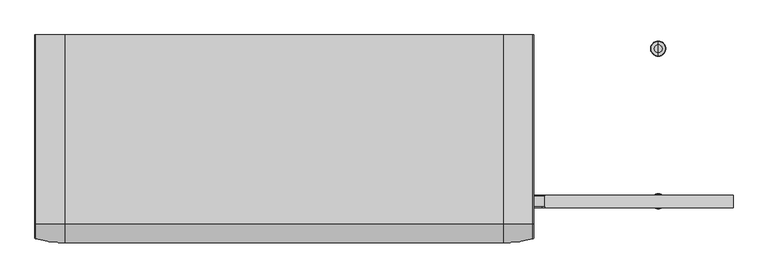
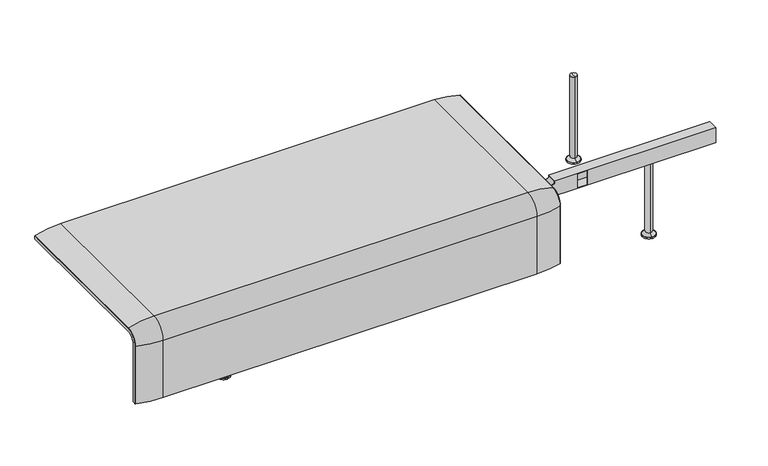
"""IFC4 building model written with IfcOpenShell, lengths in millimetres: furniture geometry."""

from ifc_helpers import new_model, si_unit, point, frame, origin, place, context, project, spatial, polyline, circle_curve, ellipse_curve, trimmed, source, transform, mapped, element, save
from ifc_brep_helpers import plane_surface, cylinder_surface, revolved_surface, advanced_brep


def furniture_abd4a75a(model_context):
    return source(origin(), model_context, "Body", "AdvancedBrep", [
        advanced_brep(
        [(-1223.9718733, -368.7793679, 100.5089435), (-1223.9718733, -357.5, 100.5089435), (407.9906244, -357.5, 100.5089435), (407.9906244, -368.7793679, 100.5089435), (405.8519959, -371.6530483, 100.5089435), (307.9906244, -386.0043559, 100.5089435), (-1123.9718733, -386.0043559, 100.5089435), (-1221.8332448, -371.6530483, 100.5089435), (-1223.9718733, 295.0, 377.4518019), (-1221.8332448, 295.0, 380.3254823), (-1123.9718733, 295.0, 394.67679), (307.9906244, 295.0, 394.67679), (405.8519959, 295.0, 380.3254823), (407.9906244, 295.0, 377.4518019), (407.9906244, 295.0, 366.172434), (-1223.9718733, 295.0, 366.172434), (-1223.9718733, -368.7793679, 333.0583003), (-1223.9718733, -324.3858663, 377.4518019), (-1223.9718733, -324.3858663, 366.172434), (-1223.9718733, -357.5, 333.0583003), (407.9906244, -357.5, 333.0583003), (307.9906244, -386.0043559, 333.0583003), (-1123.9718733, -386.0043559, 333.0583003), (-1221.8332448, -371.6530483, 333.0583003), (407.9906244, -324.3858663, 366.172434), (-1123.9718733, -324.3858663, 394.67679), (307.9906244, -324.3858663, 394.67679), (-1221.8332448, -324.3858663, 380.3254823), (407.9906244, -324.3858663, 377.4518019), (407.9906244, -368.7793679, 333.0583003), (405.8519959, -371.6530483, 333.0583003), (405.8519959, -324.3858663, 380.3254823)],
        [
            (0, 1),
            (1, 2),
            (2, 3),
            (3, 4, circle_curve(frame((404.9906244, -368.7793679, 100.5089435), z_axis=(0.0, 0.0, -1.0), x_axis=(-1.0, 0.0, 0.0)), 3.0)),
            (4, 5, circle_curve(frame((307.9906244, -45.1710226, 100.5089435), z_axis=(0.0, 0.0, -1.0), x_axis=(0.0, 1.0, 0.0)), 340.8333333)),
            (5, 6),
            (6, 7, circle_curve(frame((-1123.9718733, -45.1710226, 100.5089435), z_axis=(0.0, 0.0, -1.0), x_axis=(0.0, 1.0, 0.0)), 340.8333333)),
            (7, 0, circle_curve(frame((-1220.9718733, -368.7793679, 100.5089435), z_axis=(0.0, 0.0, -1.0), x_axis=(1.0, 0.0, 0.0)), 3.0)),
            (8, 9, circle_curve(frame((-1220.9718733, 295.0, 377.4518019), z_axis=(0.0, 1.0, 0.0), x_axis=(1.0, 0.0, 0.0)), 3.0)),
            (9, 10, circle_curve(frame((-1123.9718733, 295.0, 53.8434566), z_axis=(0.0, 1.0, 0.0), x_axis=(0.0, 0.0, -1.0)), 340.8333333)),
            (10, 11),
            (11, 12, circle_curve(frame((307.9906244, 295.0, 53.8434566), z_axis=(0.0, 1.0, 0.0), x_axis=(0.0, 0.0, -1.0)), 340.8333333)),
            (12, 13, circle_curve(frame((404.9906244, 295.0, 377.4518019), z_axis=(0.0, 1.0, 0.0), x_axis=(-1.0, 0.0, 0.0)), 3.0)),
            (13, 14),
            (14, 15),
            (15, 8),
            (0, 16),
            (16, 17, circle_curve(frame((-1223.9718733, -324.3858663, 333.0583003), z_axis=(-1.0, 0.0, 0.0), x_axis=(0.0, -1.0, 0.0)), 44.3935016)),
            (17, 8),
            (15, 18),
            (18, 19, circle_curve(frame((-1223.9718733, -324.3858663, 333.0583003), z_axis=(1.0, 0.0, 0.0), x_axis=(0.0, -1.0, 0.0)), 33.1141337)),
            (19, 1),
            (19, 20),
            (20, 2),
            (5, 21),
            (21, 22),
            (22, 6),
            (22, 23, circle_curve(frame((-1123.9718733, -45.1710226, 333.0583003), z_axis=(0.0, 0.0, -1.0), x_axis=(0.0, 1.0, 0.0)), 340.8333333)),
            (23, 7),
            (23, 16, circle_curve(frame((-1220.9718733, -368.7793679, 333.0583003), z_axis=(0.0, 0.0, -1.0), x_axis=(1.0, 0.0, 0.0)), 3.0)),
            (24, 20, circle_curve(frame((407.9906244, -324.3858663, 333.0583003), z_axis=(1.0, 0.0, 0.0), x_axis=(0.0, -1.0, 0.0)), 33.1141337)),
            (18, 24),
            (25, 22, circle_curve(frame((-1123.9718733, -324.3858663, 333.0583003), z_axis=(1.0, 0.0, 0.0), x_axis=(0.0, -1.0, 0.0)), 61.6184897)),
            (21, 26, circle_curve(frame((307.9906244, -324.3858663, 333.0583003), z_axis=(-1.0, 0.0, 0.0), x_axis=(0.0, -1.0, 0.0)), 61.6184897)),
            (26, 25),
            (27, 23, circle_curve(frame((-1221.8332448, -324.3858663, 333.0583003), z_axis=(1.0, 0.0, 0.0), x_axis=(0.0, -1.0, 0.0)), 47.267182)),
            (25, 27, circle_curve(frame((-1123.9718733, -324.3858663, 53.8434566), z_axis=(0.0, -1.0, 0.0), x_axis=(0.0, 0.0, -1.0)), 340.8333333)),
            (27, 17, circle_curve(frame((-1220.9718733, -324.3858663, 377.4518019), z_axis=(0.0, -1.0, 0.0), x_axis=(1.0, 0.0, 0.0)), 3.0)),
            (14, 24),
            (26, 11),
            (10, 25),
            (9, 27),
            (13, 28),
            (28, 29, circle_curve(frame((407.9906244, -324.3858663, 333.0583003), z_axis=(1.0, 0.0, 0.0), x_axis=(0.0, -1.0, 0.0)), 44.3935016)),
            (29, 3),
            (29, 30, circle_curve(frame((404.9906244, -368.7793679, 333.0583003), z_axis=(0.0, 0.0, -1.0), x_axis=(-1.0, 0.0, 0.0)), 3.0)),
            (30, 4),
            (30, 21, circle_curve(frame((307.9906244, -45.1710226, 333.0583003), z_axis=(0.0, 0.0, -1.0), x_axis=(0.0, 1.0, 0.0)), 340.8333333)),
            (31, 30, circle_curve(frame((405.8519959, -324.3858663, 333.0583003), z_axis=(1.0, 0.0, 0.0), x_axis=(0.0, -1.0, 0.0)), 47.267182)),
            (28, 31, circle_curve(frame((404.9906244, -324.3858663, 377.4518019), z_axis=(0.0, -1.0, 0.0), x_axis=(-1.0, 0.0, 0.0)), 3.0)),
            (31, 26, circle_curve(frame((307.9906244, -324.3858663, 53.8434566), z_axis=(0.0, -1.0, 0.0), x_axis=(0.0, 0.0, -1.0)), 340.8333333)),
            (12, 31),
        ],
        [
            plane_surface(frame((-1223.9718733, -357.5, 100.5089435), z_axis=(0.0, 0.0, -1.0), x_axis=(1.0, 0.0, 0.0))),
            plane_surface(frame((-1223.9718733, 295.0, 366.172434), z_axis=(0.0, 1.0, 0.0), x_axis=(1.0, 0.0, 0.0))),
            plane_surface(frame((-1223.9718733, -368.7793679, 100.5089435), z_axis=(-1.0, 0.0, 0.0), x_axis=(0.0, 0.0, 1.0))),
            plane_surface(frame((-1223.9718733, -357.5, 100.5089435), z_axis=(0.0, 1.0, 0.0), x_axis=(0.0, 0.0, 1.0))),
            plane_surface(frame((307.9906244, -386.0043559, 100.5089435), z_axis=(0.0, -1.0, 0.0), x_axis=(0.0, 0.0, 1.0))),
            cylinder_surface(frame((-1123.9718733, -45.1710226, 100.5089435), z_axis=(0.0, 0.0, -1.0), x_axis=(0.0, 1.0, 0.0)), 340.8333333),
            cylinder_surface(frame((-1220.9718733, -368.7793679, 100.5089435), z_axis=(0.0, 0.0, -1.0), x_axis=(1.0, 0.0, 0.0)), 3.0),
            revolved_surface(polyline([(-1223.9718733, -357.5, 333.0583003), (407.9906243999999, -357.5, 333.0583003)]), (-1223.9718733, -324.3858663, 333.0583003), (-1.0, 0.0, 0.0)),
            cylinder_surface(frame((-1223.9718733, -324.3858663, 333.0583003), z_axis=(-1.0, 0.0, 0.0), x_axis=(0.0, -1.0, 0.0)), 61.6184897),
            revolved_surface(trimmed(ellipse_curve(frame((-1123.9718733, -45.1710226, 333.0583003), z_axis=(0.0, 0.0, -1.0), x_axis=(0.0, 1.0, 0.0)), 340.8333333, 340.8333333), [point((-1123.9718733, -386.0043559, 333.0583003))], [point((-1221.8332448, -371.6530483, 333.0583003))], True, "CARTESIAN"), (-1223.9718733, -324.3858663, 333.0583003), (-1.0, 0.0, 0.0)),
            revolved_surface(trimmed(ellipse_curve(frame((-1220.9718733, -368.7793679, 333.0583003), z_axis=(0.0, 0.0, -1.0), x_axis=(1.0, 0.0, 0.0)), 3.0, 3.0), [point((-1221.8332448, -371.6530483, 333.0583003))], [point((-1223.9718733, -368.7793679, 333.0583003))], True, "CARTESIAN"), (-1223.9718733, -324.3858663, 333.0583003), (-1.0, 0.0, 0.0)),
            plane_surface(frame((-1223.9718733, -324.3858663, 366.172434), z_axis=(0.0, 0.0, -1.0), x_axis=(0.0, 1.0, 0.0))),
            plane_surface(frame((307.9906244, -324.3858663, 394.67679), z_axis=(0.0, 0.0, 1.0), x_axis=(0.0, 1.0, 0.0))),
            cylinder_surface(frame((-1123.9718733, -324.3858663, 53.8434566), z_axis=(0.0, -1.0, 0.0), x_axis=(0.0, 0.0, -1.0)), 340.8333333),
            cylinder_surface(frame((-1220.9718733, -324.3858663, 377.4518019), z_axis=(0.0, -1.0, 0.0), x_axis=(1.0, 0.0, 0.0)), 3.0),
            plane_surface(frame((407.9906244, -357.5, 100.5089435), z_axis=(1.0, 0.0, 0.0), x_axis=(0.0, 0.0, 1.0))),
            cylinder_surface(frame((404.9906244, -368.7793679, 100.5089435), z_axis=(0.0, 0.0, -1.0), x_axis=(-1.0, 0.0, 0.0)), 3.0),
            cylinder_surface(frame((307.9906244, -45.1710226, 100.5089435), z_axis=(0.0, 0.0, -1.0), x_axis=(0.0, 1.0, 0.0)), 340.8333333),
            revolved_surface(trimmed(ellipse_curve(frame((404.9906244, -368.7793679, 333.0583003), z_axis=(0.0, 0.0, -1.0), x_axis=(-1.0, 0.0, 0.0)), 3.0, 3.0), [point((407.9906244, -368.7793679, 333.0583003))], [point((405.8519959, -371.6530483, 333.0583003))], True, "CARTESIAN"), (-1223.9718733, -324.3858663, 333.0583003), (-1.0, 0.0, 0.0)),
            revolved_surface(trimmed(ellipse_curve(frame((307.9906244, -45.1710226, 333.0583003), z_axis=(0.0, 0.0, -1.0), x_axis=(0.0, 1.0, 0.0)), 340.8333333, 340.8333333), [point((405.8519959, -371.6530483, 333.0583003))], [point((307.9906244, -386.0043559, 333.0583003))], True, "CARTESIAN"), (-1223.9718733, -324.3858663, 333.0583003), (-1.0, 0.0, 0.0)),
            cylinder_surface(frame((404.9906244, -324.3858663, 377.4518019), z_axis=(0.0, -1.0, 0.0), x_axis=(-1.0, 0.0, 0.0)), 3.0),
            cylinder_surface(frame((307.9906244, -324.3858663, 53.8434566), z_axis=(0.0, -1.0, 0.0), x_axis=(0.0, 0.0, -1.0)), 340.8333333),
        ],
        [
            (0, [[1, 2, 3, 4, 5, 6, 7, 8]]),
            (1, [[9, 10, 11, 12, 13, 14, 15, 16]]),
            (2, [[-1, 17, 18, 19, -16, 20, 21, 22]]),
            (3, [[-2, -22, 23, 24]]),
            (4, [[-6, 25, 26, 27]]),
            (5, [[-7, -27, 28, 29]]),
            (6, [[-8, -29, 30, -17]]),
            (7, [[31, -23, -21, 32]]),
            (8, [[33, -26, 34, 35]]),
            (9, [[36, -28, -33, 37]]),
            (10, [[-18, -30, -36, 38]]),
            (11, [[-32, -20, -15, 39]]),
            (12, [[-35, 40, -11, 41]]),
            (13, [[-37, -41, -10, 42]]),
            (14, [[-38, -42, -9, -19]]),
            (15, [[-3, -24, -31, -39, -14, 43, 44, 45]]),
            (16, [[-4, -45, 46, 47]]),
            (17, [[-5, -47, 48, -25]]),
            (18, [[49, -46, -44, 50]]),
            (19, [[-34, -48, -49, 51]]),
            (20, [[-50, -43, -13, 52]]),
            (21, [[-51, -52, -12, -40]]),
        ],
    ),
        advanced_brep(
        [(815.9812488, -250.0000031, 0.0), (815.9812488, -225.0000031, 0.0), (815.9812488, -275.0000031, 0.0), (815.9812488, -262.4715672, 344.8637637), (815.9812488, -237.5284391, 344.8637637), (815.9812488, -250.0000031, 344.8637637), (815.9812488, -262.4715672, 16.2604994), (815.9812488, -237.5284391, 16.2604994), (815.9812488, -273.2294713, 5.5025953), (815.9812488, -226.770535, 5.5025953), (815.9812488, -275.0000031, 5.5025953), (815.9812488, -225.0000031, 5.5025953)],
        [
            (0, 1),
            (1, 2, circle_curve(frame((815.9812488, -250.0000031, 0.0), z_axis=(0.0, 0.0, -1.0), x_axis=(0.0, 1.0, 0.0)), 25.0)),
            (2, 0),
            (2, 1, circle_curve(frame((815.9812488, -250.0000031, 0.0), z_axis=(0.0, 0.0, -1.0), x_axis=(0.0, 1.0, 0.0)), 25.0)),
            (3, 4, circle_curve(frame((815.9812488, -250.0000031, 344.8637637), z_axis=(0.0, 0.0, 1.0), x_axis=(0.0, 1.0, 0.0)), 12.471564)),
            (4, 5),
            (5, 3),
            (4, 3, circle_curve(frame((815.9812488, -250.0000031, 344.8637637), z_axis=(0.0, 0.0, 1.0), x_axis=(0.0, 1.0, 0.0)), 12.471564)),
            (6, 7, circle_curve(frame((815.9812488, -250.0000031, 16.2604994), z_axis=(0.0, 0.0, 1.0), x_axis=(0.0, 1.0, 0.0)), 12.471564)),
            (7, 4),
            (3, 6),
            (7, 6, circle_curve(frame((815.9812488, -250.0000031, 16.2604994), z_axis=(0.0, 0.0, 1.0), x_axis=(0.0, 1.0, 0.0)), 12.471564)),
            (8, 9, circle_curve(frame((815.9812488, -250.0000031, 5.5025953), z_axis=(0.0, 0.0, 1.0), x_axis=(0.0, 1.0, 0.0)), 23.2294681)),
            (9, 7, circle_curve(frame((815.9812488, -226.770535, 16.2604994), z_axis=(-1.0, 0.0, 0.0), x_axis=(0.0, 1.0, 0.0)), 10.7579041)),
            (6, 8, circle_curve(frame((815.9812488, -273.2294713, 16.2604994), z_axis=(-1.0, 0.0, 0.0), x_axis=(0.0, -1.0, 0.0)), 10.7579041)),
            (9, 8, circle_curve(frame((815.9812488, -250.0000031, 5.5025953), z_axis=(0.0, 0.0, 1.0), x_axis=(0.0, 1.0, 0.0)), 23.2294681)),
            (10, 11, circle_curve(frame((815.9812488, -250.0000031, 5.5025953), z_axis=(0.0, 0.0, 1.0), x_axis=(0.0, 1.0, 0.0)), 25.0)),
            (11, 9),
            (8, 10),
            (11, 10, circle_curve(frame((815.9812488, -250.0000031, 5.5025953), z_axis=(0.0, 0.0, 1.0), x_axis=(0.0, 1.0, 0.0)), 25.0)),
            (1, 11),
            (10, 2),
        ],
        [
            plane_surface(frame((815.9812488, -250.0000031, 0.0), z_axis=(0.0, 0.0, -1.0), x_axis=(0.0, 1.0, 0.0))),
            plane_surface(frame((815.9812488, -250.0000031, 344.8637637), z_axis=(0.0, 0.0, 1.0), x_axis=(0.0, 1.0, 0.0))),
            cylinder_surface(frame((815.9812488, -250.0000031, 344.8637637), z_axis=(0.0, 0.0, -1.0), x_axis=(0.0, 1.0, 0.0)), 12.471564),
            revolved_surface(trimmed(ellipse_curve(frame((815.9812488, -226.770535, 16.2604994), z_axis=(1.0, 0.0, 0.0), x_axis=(0.0, 1.0, 0.0)), 10.7579041, 10.7579041), [point((815.9812488, -237.5284391, 16.2604994))], [point((815.9812488, -226.770535, 5.5025953))], True, "CARTESIAN"), (815.9812488, -250.0000031, 344.8637637), (0.0, 0.0, -1.0)),
            plane_surface(frame((815.9812488, -250.0000031, 5.5025953), z_axis=(0.0, 0.0, 1.0), x_axis=(0.0, 1.0, 0.0))),
            cylinder_surface(frame((815.9812488, -250.0000031, 344.8637637), z_axis=(0.0, 0.0, -1.0), x_axis=(0.0, 1.0, 0.0)), 25.0),
        ],
        [
            (0, [[1, 2, 3]]),
            (0, [[-3, 4, -1]]),
            (1, [[5, 6, 7]]),
            (1, [[8, -7, -6]]),
            (2, [[9, 10, -5, 11]]),
            (2, [[12, -11, -8, -10]]),
            (3, [[13, 14, -9, 15]]),
            (3, [[16, -15, -12, -14]]),
            (4, [[17, 18, -13, 19]]),
            (4, [[20, -19, -16, -18]]),
            (5, [[-2, 21, -17, 22]]),
            (5, [[-4, -22, -20, -21]]),
        ],
    ),
        advanced_brep(
        [(815.9812488, 275.0000031, 0.0), (815.9812488, 225.0000031, 0.0), (815.9812488, 250.0000031, 0.0), (815.9812488, 250.0000031, 344.8637637), (815.9812488, 237.5284391, 344.8637637), (815.9812488, 262.4715672, 344.8637637), (815.9812488, 237.5284391, 16.2604994), (815.9812488, 262.4715672, 16.2604994), (815.9812488, 226.770535, 5.5025953), (815.9812488, 273.2294713, 5.5025953), (815.9812488, 225.0000031, 5.5025953), (815.9812488, 275.0000031, 5.5025953)],
        [
            (0, 1, circle_curve(frame((815.9812488, 250.0000031, 0.0), z_axis=(0.0, 0.0, -1.0), x_axis=(0.0, -1.0, 0.0)), 25.0)),
            (1, 2),
            (2, 0),
            (1, 0, circle_curve(frame((815.9812488, 250.0000031, 0.0), z_axis=(0.0, 0.0, -1.0), x_axis=(0.0, -1.0, 0.0)), 25.0)),
            (3, 4),
            (4, 5, circle_curve(frame((815.9812488, 250.0000031, 344.8637637), z_axis=(0.0, 0.0, 1.0), x_axis=(0.0, -1.0, 0.0)), 12.471564)),
            (5, 3),
            (5, 4, circle_curve(frame((815.9812488, 250.0000031, 344.8637637), z_axis=(0.0, 0.0, 1.0), x_axis=(0.0, -1.0, 0.0)), 12.471564)),
            (4, 6),
            (6, 7, circle_curve(frame((815.9812488, 250.0000031, 16.2604994), z_axis=(0.0, 0.0, 1.0), x_axis=(0.0, -1.0, 0.0)), 12.471564)),
            (7, 5),
            (7, 6, circle_curve(frame((815.9812488, 250.0000031, 16.2604994), z_axis=(0.0, 0.0, 1.0), x_axis=(0.0, -1.0, 0.0)), 12.471564)),
            (6, 8, circle_curve(frame((815.9812488, 226.770535, 16.2604994), z_axis=(-1.0, 0.0, 0.0), x_axis=(0.0, -1.0, 0.0)), 10.7579041)),
            (8, 9, circle_curve(frame((815.9812488, 250.0000031, 5.5025953), z_axis=(0.0, 0.0, 1.0), x_axis=(0.0, -1.0, 0.0)), 23.2294681)),
            (9, 7, circle_curve(frame((815.9812488, 273.2294713, 16.2604994), z_axis=(-1.0, 0.0, 0.0), x_axis=(0.0, 1.0, 0.0)), 10.7579041)),
            (9, 8, circle_curve(frame((815.9812488, 250.0000031, 5.5025953), z_axis=(0.0, 0.0, 1.0), x_axis=(0.0, -1.0, 0.0)), 23.2294681)),
            (8, 10),
            (10, 11, circle_curve(frame((815.9812488, 250.0000031, 5.5025953), z_axis=(0.0, 0.0, 1.0), x_axis=(0.0, -1.0, 0.0)), 25.0)),
            (11, 9),
            (11, 10, circle_curve(frame((815.9812488, 250.0000031, 5.5025953), z_axis=(0.0, 0.0, 1.0), x_axis=(0.0, -1.0, 0.0)), 25.0)),
            (10, 1),
            (0, 11),
        ],
        [
            plane_surface(frame((815.9812488, 250.0000031, 0.0), z_axis=(0.0, 0.0, -1.0), x_axis=(0.0, -1.0, 0.0))),
            plane_surface(frame((815.9812488, 250.0000031, 344.8637637), z_axis=(0.0, 0.0, 1.0), x_axis=(0.0, -1.0, 0.0))),
            cylinder_surface(frame((815.9812488, 250.0000031, 344.8637637), z_axis=(0.0, 0.0, 1.0), x_axis=(0.0, -1.0, 0.0)), 12.471564),
            revolved_surface(trimmed(ellipse_curve(frame((815.9812488, 226.770535, 16.2604994), z_axis=(1.0, 0.0, 0.0), x_axis=(0.0, -1.0, 0.0)), 10.7579041, 10.7579041), [point((815.9812488, 226.770535, 5.5025953))], [point((815.9812488, 237.5284391, 16.2604994))], True, "CARTESIAN"), (815.9812488, 250.0000031, 344.8637637), (0.0, 0.0, 1.0)),
            plane_surface(frame((815.9812488, 250.0000031, 5.5025953), z_axis=(0.0, 0.0, 1.0), x_axis=(0.0, -1.0, 0.0))),
            cylinder_surface(frame((815.9812488, 250.0000031, 344.8637637), z_axis=(0.0, 0.0, 1.0), x_axis=(0.0, -1.0, 0.0)), 25.0),
        ],
        [
            (0, [[1, 2, 3]]),
            (0, [[4, -3, -2]]),
            (1, [[5, 6, 7]]),
            (1, [[-7, 8, -5]]),
            (2, [[-6, 9, 10, 11]]),
            (2, [[-8, -11, 12, -9]]),
            (3, [[-10, 13, 14, 15]]),
            (3, [[-12, -15, 16, -13]]),
            (4, [[-14, 17, 18, 19]]),
            (4, [[-16, -19, 20, -17]]),
            (5, [[-18, 21, -1, 22]]),
            (5, [[-20, -22, -4, -21]]),
        ],
    ),
        advanced_brep(
        [(-815.9812488, -275.0000031, 0.0), (-815.9812488, -225.0000031, 0.0), (-815.9812488, -250.0000031, 0.0), (-815.9812488, -250.0000031, 344.8637637), (-815.9812488, -237.5284391, 344.8637637), (-815.9812488, -262.4715672, 344.8637637), (-815.9812488, -237.5284391, 16.2604994), (-815.9812488, -262.4715672, 16.2604994), (-815.9812488, -226.770535, 5.5025953), (-815.9812488, -273.2294713, 5.5025953), (-815.9812488, -225.0000031, 5.5025953), (-815.9812488, -275.0000031, 5.5025953)],
        [
            (0, 1, circle_curve(frame((-815.9812488, -250.0000031, 0.0), z_axis=(0.0, 0.0, -1.0), x_axis=(0.0, 1.0, 0.0)), 25.0)),
            (1, 2),
            (2, 0),
            (1, 0, circle_curve(frame((-815.9812488, -250.0000031, 0.0), z_axis=(0.0, 0.0, -1.0), x_axis=(0.0, 1.0, 0.0)), 25.0)),
            (3, 4),
            (4, 5, circle_curve(frame((-815.9812488, -250.0000031, 344.8637637), z_axis=(0.0, 0.0, 1.0), x_axis=(0.0, 1.0, 0.0)), 12.471564)),
            (5, 3),
            (5, 4, circle_curve(frame((-815.9812488, -250.0000031, 344.8637637), z_axis=(0.0, 0.0, 1.0), x_axis=(0.0, 1.0, 0.0)), 12.471564)),
            (4, 6),
            (6, 7, circle_curve(frame((-815.9812488, -250.0000031, 16.2604994), z_axis=(0.0, 0.0, 1.0), x_axis=(0.0, 1.0, 0.0)), 12.471564)),
            (7, 5),
            (7, 6, circle_curve(frame((-815.9812488, -250.0000031, 16.2604994), z_axis=(0.0, 0.0, 1.0), x_axis=(0.0, 1.0, 0.0)), 12.471564)),
            (6, 8, circle_curve(frame((-815.9812488, -226.770535, 16.2604994), z_axis=(1.0, 0.0, 0.0), x_axis=(0.0, 1.0, 0.0)), 10.7579041)),
            (8, 9, circle_curve(frame((-815.9812488, -250.0000031, 5.5025953), z_axis=(0.0, 0.0, 1.0), x_axis=(0.0, 1.0, 0.0)), 23.2294681)),
            (9, 7, circle_curve(frame((-815.9812488, -273.2294713, 16.2604994), z_axis=(1.0, 0.0, 0.0), x_axis=(0.0, -1.0, 0.0)), 10.7579041)),
            (9, 8, circle_curve(frame((-815.9812488, -250.0000031, 5.5025953), z_axis=(0.0, 0.0, 1.0), x_axis=(0.0, 1.0, 0.0)), 23.2294681)),
            (8, 10),
            (10, 11, circle_curve(frame((-815.9812488, -250.0000031, 5.5025953), z_axis=(0.0, 0.0, 1.0), x_axis=(0.0, 1.0, 0.0)), 25.0)),
            (11, 9),
            (11, 10, circle_curve(frame((-815.9812488, -250.0000031, 5.5025953), z_axis=(0.0, 0.0, 1.0), x_axis=(0.0, 1.0, 0.0)), 25.0)),
            (10, 1),
            (0, 11),
        ],
        [
            plane_surface(frame((-815.9812488, -250.0000031, 0.0), z_axis=(0.0, 0.0, -1.0), x_axis=(0.0, 1.0, 0.0))),
            plane_surface(frame((-815.9812488, -250.0000031, 344.8637637), z_axis=(0.0, 0.0, 1.0), x_axis=(0.0, 1.0, 0.0))),
            cylinder_surface(frame((-815.9812488, -250.0000031, 344.8637637), z_axis=(0.0, 0.0, 1.0), x_axis=(0.0, 1.0, 0.0)), 12.471564),
            revolved_surface(trimmed(ellipse_curve(frame((-815.9812488, -226.770535, 16.2604994), z_axis=(-1.0, 0.0, 0.0), x_axis=(0.0, 1.0, 0.0)), 10.7579041, 10.7579041), [point((-815.9812488, -226.770535, 5.5025953))], [point((-815.9812488, -237.5284391, 16.2604994))], True, "CARTESIAN"), (-815.9812488, -250.0000031, 344.8637637), (0.0, 0.0, 1.0)),
            plane_surface(frame((-815.9812488, -250.0000031, 5.5025953), z_axis=(0.0, 0.0, 1.0), x_axis=(0.0, 1.0, 0.0))),
            cylinder_surface(frame((-815.9812488, -250.0000031, 344.8637637), z_axis=(0.0, 0.0, 1.0), x_axis=(0.0, 1.0, 0.0)), 25.0),
        ],
        [
            (0, [[1, 2, 3]]),
            (0, [[4, -3, -2]]),
            (1, [[5, 6, 7]]),
            (1, [[-7, 8, -5]]),
            (2, [[-6, 9, 10, 11]]),
            (2, [[-8, -11, 12, -9]]),
            (3, [[-10, 13, 14, 15]]),
            (3, [[-12, -15, 16, -13]]),
            (4, [[-14, 17, 18, 19]]),
            (4, [[-16, -19, 20, -17]]),
            (5, [[-18, 21, -1, 22]]),
            (5, [[-20, -22, -4, -21]]),
        ],
    ),
        advanced_brep(
        [(-815.9812488, 250.0000031, 0.0), (-815.9812488, 225.0000031, 0.0), (-815.9812488, 275.0000031, 0.0), (-815.9812488, 262.4715672, 344.8637637), (-815.9812488, 237.5284391, 344.8637637), (-815.9812488, 250.0000031, 344.8637637), (-815.9812488, 262.4715672, 16.2604994), (-815.9812488, 237.5284391, 16.2604994), (-815.9812488, 273.2294713, 5.5025953), (-815.9812488, 226.770535, 5.5025953), (-815.9812488, 275.0000031, 5.5025953), (-815.9812488, 225.0000031, 5.5025953)],
        [
            (0, 1),
            (1, 2, circle_curve(frame((-815.9812488, 250.0000031, 0.0), z_axis=(0.0, 0.0, -1.0), x_axis=(0.0, -1.0, 0.0)), 25.0)),
            (2, 0),
            (2, 1, circle_curve(frame((-815.9812488, 250.0000031, 0.0), z_axis=(0.0, 0.0, -1.0), x_axis=(0.0, -1.0, 0.0)), 25.0)),
            (3, 4, circle_curve(frame((-815.9812488, 250.0000031, 344.8637637), z_axis=(0.0, 0.0, 1.0), x_axis=(0.0, -1.0, 0.0)), 12.471564)),
            (4, 5),
            (5, 3),
            (4, 3, circle_curve(frame((-815.9812488, 250.0000031, 344.8637637), z_axis=(0.0, 0.0, 1.0), x_axis=(0.0, -1.0, 0.0)), 12.471564)),
            (6, 7, circle_curve(frame((-815.9812488, 250.0000031, 16.2604994), z_axis=(0.0, 0.0, 1.0), x_axis=(0.0, -1.0, 0.0)), 12.471564)),
            (7, 4),
            (3, 6),
            (7, 6, circle_curve(frame((-815.9812488, 250.0000031, 16.2604994), z_axis=(0.0, 0.0, 1.0), x_axis=(0.0, -1.0, 0.0)), 12.471564)),
            (8, 9, circle_curve(frame((-815.9812488, 250.0000031, 5.5025953), z_axis=(0.0, 0.0, 1.0), x_axis=(0.0, -1.0, 0.0)), 23.2294681)),
            (9, 7, circle_curve(frame((-815.9812488, 226.770535, 16.2604994), z_axis=(1.0, 0.0, 0.0), x_axis=(0.0, -1.0, 0.0)), 10.7579041)),
            (6, 8, circle_curve(frame((-815.9812488, 273.2294713, 16.2604994), z_axis=(1.0, 0.0, 0.0), x_axis=(0.0, 1.0, 0.0)), 10.7579041)),
            (9, 8, circle_curve(frame((-815.9812488, 250.0000031, 5.5025953), z_axis=(0.0, 0.0, 1.0), x_axis=(0.0, -1.0, 0.0)), 23.2294681)),
            (10, 11, circle_curve(frame((-815.9812488, 250.0000031, 5.5025953), z_axis=(0.0, 0.0, 1.0), x_axis=(0.0, -1.0, 0.0)), 25.0)),
            (11, 9),
            (8, 10),
            (11, 10, circle_curve(frame((-815.9812488, 250.0000031, 5.5025953), z_axis=(0.0, 0.0, 1.0), x_axis=(0.0, -1.0, 0.0)), 25.0)),
            (1, 11),
            (10, 2),
        ],
        [
            plane_surface(frame((-815.9812488, 250.0000031, 0.0), z_axis=(0.0, 0.0, -1.0), x_axis=(0.0, -1.0, 0.0))),
            plane_surface(frame((-815.9812488, 250.0000031, 344.8637637), z_axis=(0.0, 0.0, 1.0), x_axis=(0.0, -1.0, 0.0))),
            cylinder_surface(frame((-815.9812488, 250.0000031, 344.8637637), z_axis=(0.0, 0.0, -1.0), x_axis=(0.0, -1.0, 0.0)), 12.471564),
            revolved_surface(trimmed(ellipse_curve(frame((-815.9812488, 226.770535, 16.2604994), z_axis=(-1.0, 0.0, 0.0), x_axis=(0.0, -1.0, 0.0)), 10.7579041, 10.7579041), [point((-815.9812488, 237.5284391, 16.2604994))], [point((-815.9812488, 226.770535, 5.5025953))], True, "CARTESIAN"), (-815.9812488, 250.0000031, 344.8637637), (0.0, 0.0, -1.0)),
            plane_surface(frame((-815.9812488, 250.0000031, 5.5025953), z_axis=(0.0, 0.0, 1.0), x_axis=(0.0, -1.0, 0.0))),
            cylinder_surface(frame((-815.9812488, 250.0000031, 344.8637637), z_axis=(0.0, 0.0, -1.0), x_axis=(0.0, -1.0, 0.0)), 25.0),
        ],
        [
            (0, [[1, 2, 3]]),
            (0, [[-3, 4, -1]]),
            (1, [[5, 6, 7]]),
            (1, [[8, -7, -6]]),
            (2, [[9, 10, -5, 11]]),
            (2, [[12, -11, -8, -10]]),
            (3, [[13, 14, -9, 15]]),
            (3, [[16, -15, -12, -14]]),
            (4, [[17, 18, -13, 19]]),
            (4, [[20, -19, -16, -18]]),
            (5, [[-2, 21, -17, 22]]),
            (5, [[-4, -22, -20, -21]]),
        ],
    ),
        advanced_brep(
        [(-407.9906244, -230.0000056, 346.6346058), (-407.9906244, -232.0000018, 346.6346058), (-381.9939756, -232.0000018, 346.6346058), (-381.9939756, -230.0000056, 346.6346058), (-407.9906244, -268.0000023, 346.6346058), (-407.9906244, -270.0000061, 346.6346058), (-381.9939756, -270.0000061, 346.6346058), (-381.9939756, -268.0000023, 346.6346058), (-371.9939756, -232.0000018, 356.6346058), (-371.9939756, -230.0000056, 356.6346058), (-371.9939756, -270.0000061, 356.6346058), (-371.9939756, -268.0000023, 356.6346058), (-371.9939756, -232.0000018, 357.9224338), (-371.9939756, -268.0000023, 357.9224338), (-371.9939756, -270.0000061, 359.922434), (-371.9939756, -230.0000056, 359.922434), (-443.9872732, -232.0000018, 356.6346058), (-443.9872732, -230.0000056, 356.6346058), (-443.9872732, -230.0000056, 359.922434), (-443.9872732, -270.0000061, 359.922434), (-443.9872732, -270.0000061, 356.6346058), (-443.9872732, -268.0000023, 356.6346058), (-443.9872732, -268.0000023, 357.9224338), (-443.9872732, -232.0000018, 357.9224338), (-433.9872732, -230.0000056, 346.6346058), (-433.9872732, -232.0000018, 346.6346058), (-433.9872732, -268.0000023, 346.6346058), (-433.9872732, -270.0000061, 346.6346058), (1060.9822296, -230.0000056, 359.922434), (1060.9822296, -270.0000061, 359.922434), (1060.9822296, -270.0000061, 299.9223263), (1060.9822296, -230.0000056, 299.9223263), (1060.9822296, -268.0000023, 301.9086098), (1060.9822296, -268.0000023, 357.9224338), (1060.9822296, -232.0000018, 357.9224338), (1060.9822296, -232.0000018, 301.9086098), (-1060.9822296, -230.0000056, 359.922434), (-1060.9822296, -230.0000056, 299.9223263), (-1060.9822296, -270.0000061, 299.9223263), (-1060.9822296, -270.0000061, 359.922434), (-1060.9822296, -268.0000023, 301.9086098), (-1060.9822296, -232.0000018, 301.9086098), (-1060.9822296, -232.0000018, 357.9224338), (-1060.9822296, -268.0000023, 357.9224338), (371.9939756, -230.0000056, 359.922434), (371.9939756, -230.0000056, 356.6346058), (381.9939756, -230.0000056, 346.6346058), (407.9906244, -230.0000056, 346.6346058), (433.9872732, -230.0000056, 346.6346058), (443.9872732, -230.0000056, 356.6346058), (443.9872732, -230.0000056, 359.922434), (443.9872732, -270.0000061, 359.922434), (443.9872732, -270.0000061, 356.6346058), (433.9872732, -270.0000061, 346.6346058), (407.9906244, -270.0000061, 346.6346058), (381.9939756, -270.0000061, 346.6346058), (371.9939756, -270.0000061, 356.6346058), (371.9939756, -270.0000061, 359.922434), (-568.96075, -270.0000061, 357.9224338), (-532.9720684, -270.0000061, 357.9224338), (-532.9720684, -270.0000061, 301.9086098), (-568.96075, -270.0000061, 301.9086098), (-283.0091805, -270.0000061, 357.9224338), (-247.0204988, -270.0000061, 357.9224338), (-247.0204988, -270.0000061, 301.9086098), (-283.0091805, -270.0000061, 301.9086098), (247.0204988, -270.0000061, 357.9224338), (283.0091805, -270.0000061, 357.9224338), (283.0091805, -270.0000061, 301.9086098), (247.0204988, -270.0000061, 301.9086098), (532.9720684, -270.0000061, 357.9224338), (568.96075, -270.0000061, 357.9224338), (568.96075, -270.0000061, 301.9086098), (532.9720684, -270.0000061, 301.9086098), (-568.96075, -268.0000023, 301.9086098), (-532.9720684, -268.0000023, 301.9086098), (-283.0091805, -268.0000023, 301.9086098), (-247.0204988, -268.0000023, 301.9086098), (247.0204988, -268.0000023, 301.9086098), (283.0091805, -268.0000023, 301.9086098), (532.9720684, -268.0000023, 301.9086098), (568.96075, -268.0000023, 301.9086098), (443.9872732, -232.0000018, 357.9224338), (443.9872732, -232.0000018, 356.6346058), (433.9872732, -232.0000018, 346.6346058), (407.9906244, -232.0000018, 346.6346058), (381.9939756, -232.0000018, 346.6346058), (371.9939756, -232.0000018, 356.6346058), (371.9939756, -232.0000018, 357.9224338), (568.96075, -268.0000023, 357.9224338), (532.9720684, -268.0000023, 357.9224338), (443.9872732, -268.0000023, 357.9224338), (-532.9720684, -268.0000023, 357.9224338), (-568.96075, -268.0000023, 357.9224338), (371.9939756, -268.0000023, 357.9224338), (283.0091805, -268.0000023, 357.9224338), (247.0204988, -268.0000023, 357.9224338), (-247.0204988, -268.0000023, 357.9224338), (-283.0091805, -268.0000023, 357.9224338), (407.9906244, -268.0000023, 346.6346058), (433.9872732, -268.0000023, 346.6346058), (443.9872732, -268.0000023, 356.6346058), (371.9939756, -268.0000023, 356.6346058), (381.9939756, -268.0000023, 346.6346058)],
        [
            (0, 1),
            (1, 2),
            (2, 3),
            (3, 0),
            (4, 5),
            (5, 6),
            (6, 7),
            (7, 4),
            (2, 8, circle_curve(frame((-381.9939756, -232.0000018, 356.6346058), z_axis=(0.0, -1.0, 0.0), x_axis=(-1.0, 0.0, 0.0)), 10.0)),
            (8, 9),
            (9, 3, circle_curve(frame((-381.9939756, -230.0000056, 356.6346058), z_axis=(0.0, 1.0, 0.0), x_axis=(-1.0, 0.0, 0.0)), 10.0)),
            (6, 10, circle_curve(frame((-381.9939756, -270.0000061, 356.6346058), z_axis=(0.0, -1.0, 0.0), x_axis=(-1.0, 0.0, 0.0)), 10.0)),
            (10, 11),
            (11, 7, circle_curve(frame((-381.9939756, -268.0000023, 356.6346058), z_axis=(0.0, 1.0, 0.0), x_axis=(-1.0, 0.0, 0.0)), 10.0)),
            (8, 12),
            (12, 13),
            (13, 11),
            (10, 14),
            (14, 15),
            (15, 9),
            (16, 17),
            (17, 18),
            (18, 19),
            (19, 20),
            (20, 21),
            (21, 22),
            (22, 23),
            (23, 16),
            (0, 24),
            (24, 25),
            (25, 1),
            (4, 26),
            (26, 27),
            (27, 5),
            (24, 17, circle_curve(frame((-433.9872732, -230.0000056, 356.6346058), z_axis=(0.0, 1.0, 0.0), x_axis=(1.0, 0.0, 0.0)), 10.0)),
            (16, 25, circle_curve(frame((-433.9872732, -232.0000018, 356.6346058), z_axis=(0.0, -1.0, 0.0), x_axis=(1.0, 0.0, 0.0)), 10.0)),
            (26, 21, circle_curve(frame((-433.9872732, -268.0000023, 356.6346058), z_axis=(0.0, 1.0, 0.0), x_axis=(1.0, 0.0, 0.0)), 10.0)),
            (20, 27, circle_curve(frame((-433.9872732, -270.0000061, 356.6346058), z_axis=(0.0, -1.0, 0.0), x_axis=(1.0, 0.0, 0.0)), 10.0)),
            (28, 29),
            (29, 30),
            (30, 31),
            (31, 28),
            (32, 33),
            (33, 34),
            (34, 35),
            (35, 32),
            (36, 37),
            (37, 38),
            (38, 39),
            (39, 36),
            (40, 41),
            (41, 42),
            (42, 43),
            (43, 40),
            (31, 37),
            (36, 18),
            (15, 44),
            (44, 45),
            (45, 46, circle_curve(frame((381.9939756, -230.0000056, 356.6346058), z_axis=(0.0, -1.0, 0.0), x_axis=(1.0, 0.0, 0.0)), 10.0)),
            (46, 47),
            (47, 48),
            (48, 49, circle_curve(frame((433.9872732, -230.0000056, 356.6346058), z_axis=(0.0, -1.0, 0.0), x_axis=(-1.0, 0.0, 0.0)), 10.0)),
            (49, 50),
            (50, 28),
            (30, 38),
            (29, 51),
            (51, 52),
            (52, 53, circle_curve(frame((433.9872732, -270.0000061, 356.6346058), z_axis=(0.0, 1.0, 0.0), x_axis=(-1.0, 0.0, 0.0)), 10.0)),
            (53, 54),
            (54, 55),
            (55, 56, circle_curve(frame((381.9939756, -270.0000061, 356.6346058), z_axis=(0.0, 1.0, 0.0), x_axis=(1.0, 0.0, 0.0)), 10.0)),
            (56, 57),
            (57, 14),
            (19, 39),
            (58, 59),
            (59, 60),
            (60, 61),
            (61, 58),
            (62, 63),
            (63, 64),
            (64, 65),
            (65, 62),
            (66, 67),
            (67, 68),
            (68, 69),
            (69, 66),
            (70, 71),
            (71, 72),
            (72, 73),
            (73, 70),
            (50, 51),
            (57, 44),
            (35, 41),
            (40, 74),
            (74, 61),
            (60, 75),
            (75, 76),
            (76, 65),
            (64, 77),
            (77, 78),
            (78, 69),
            (68, 79),
            (79, 80),
            (80, 73),
            (72, 81),
            (81, 32),
            (34, 82),
            (82, 83),
            (83, 84, circle_curve(frame((433.9872732, -232.0000018, 356.6346058), z_axis=(0.0, 1.0, 0.0), x_axis=(-1.0, 0.0, 0.0)), 10.0)),
            (84, 85),
            (85, 86),
            (86, 87, circle_curve(frame((381.9939756, -232.0000018, 356.6346058), z_axis=(0.0, 1.0, 0.0), x_axis=(1.0, 0.0, 0.0)), 10.0)),
            (87, 88),
            (88, 12),
            (23, 42),
            (33, 89),
            (89, 71),
            (70, 90),
            (90, 91),
            (91, 82),
            (22, 92),
            (92, 59),
            (58, 93),
            (93, 43),
            (88, 94),
            (94, 95),
            (95, 67),
            (66, 96),
            (96, 97),
            (97, 63),
            (62, 98),
            (98, 13),
            (81, 89),
            (93, 74),
            (98, 76),
            (75, 92),
            (77, 97),
            (96, 78),
            (99, 100),
            (100, 101, circle_curve(frame((433.9872732, -268.0000023, 356.6346058), z_axis=(0.0, -1.0, 0.0), x_axis=(-1.0, 0.0, 0.0)), 10.0)),
            (101, 91),
            (90, 80),
            (79, 95),
            (94, 102),
            (102, 103, circle_curve(frame((381.9939756, -268.0000023, 356.6346058), z_axis=(0.0, -1.0, 0.0), x_axis=(1.0, 0.0, 0.0)), 10.0)),
            (103, 99),
            (47, 85),
            (84, 48),
            (99, 54),
            (53, 100),
            (83, 49),
            (52, 101),
            (87, 45),
            (56, 102),
            (46, 86),
            (103, 55),
        ],
        [
            plane_surface(frame((-407.9906244, -287.5262628, 346.6346058), z_axis=(0.0, 0.0, 1.0), x_axis=(0.0, 1.0, 0.0))),
            revolved_surface(polyline([(-391.9939756, -232.0000018, 356.6346058), (-391.9939756, -230.00000560000007, 356.6346058)]), (-381.9939756, 314.3107458, 356.6346058), (0.0, -1.0, 0.0)),
            revolved_surface(polyline([(-391.9939756, -270.0000061, 356.6346058), (-391.9939756, -268.00000229999995, 356.6346058)]), (-381.9939756, 314.3107458, 356.6346058), (0.0, -1.0, 0.0)),
            plane_surface(frame((-371.9939756, -287.5262628, 356.6346058), z_axis=(-1.0, 0.0, 0.0), x_axis=(0.0, 1.0, 0.0))),
            plane_surface(frame((-443.9872732, -287.5262628, 378.869628), z_axis=(1.0, 0.0, 0.0), x_axis=(0.0, 1.0, 0.0))),
            plane_surface(frame((-433.9872732, -287.5262628, 346.6346058), z_axis=(0.0, 0.0, 1.0), x_axis=(0.0, 1.0, 0.0))),
            revolved_surface(polyline([(-423.9872732, -232.0000018, 356.6346058), (-423.9872732, -230.00000560000007, 356.6346058)]), (-433.9872732, 314.3107458, 356.6346058), (0.0, -1.0, 0.0)),
            revolved_surface(polyline([(-423.9872732, -270.0000061, 356.6346058), (-423.9872732, -268.00000229999995, 356.6346058)]), (-433.9872732, 314.3107458, 356.6346058), (0.0, -1.0, 0.0)),
            plane_surface(frame((1060.9822296, -270.0000061, 359.922434), z_axis=(1.0, 0.0, 0.0), x_axis=(0.0, -1.0, 0.0))),
            plane_surface(frame((-1060.9822296, -270.0000061, 359.922434), z_axis=(-1.0, 0.0, 0.0), x_axis=(0.0, 1.0, 0.0))),
            plane_surface(frame((1060.9822296, -230.0000056, 299.9223263), z_axis=(0.0, 1.0, 0.0), x_axis=(-1.0, 0.0, 0.0))),
            plane_surface(frame((1060.9822296, -270.0000061, 299.9223263), z_axis=(0.0, 0.0, -1.0), x_axis=(-1.0, 0.0, 0.0))),
            plane_surface(frame((1060.9822296, -270.0000061, 359.922434), z_axis=(0.0, -1.0, 0.0), x_axis=(-1.0, 0.0, 0.0))),
            plane_surface(frame((1060.9822296, -230.0000056, 359.922434), z_axis=(0.0, 0.0, 1.0), x_axis=(-1.0, 0.0, 0.0))),
            plane_surface(frame((1060.9822296, -232.0000018, 301.9086098), z_axis=(0.0, 0.0, 1.0), x_axis=(-1.0, 0.0, 0.0))),
            plane_surface(frame((1060.9822296, -232.0000018, 357.9224338), z_axis=(0.0, -1.0, 0.0), x_axis=(-1.0, 0.0, 0.0))),
            plane_surface(frame((1060.9822296, -268.0000023, 357.9224338), z_axis=(0.0, 0.0, -1.0), x_axis=(-1.0, 0.0, 0.0))),
            plane_surface(frame((1060.9822296, -268.0000023, 301.9086098), z_axis=(0.0, 1.0, 0.0), x_axis=(-1.0, 0.0, 0.0))),
            plane_surface(frame((-568.96075, -282.4008656, 357.9224338), z_axis=(1.0, 0.0, 0.0), x_axis=(0.0, 1.0, 0.0))),
            plane_surface(frame((-532.9720684, -282.4008656, 301.9086098), z_axis=(-1.0, 0.0, 0.0), x_axis=(0.0, 1.0, 0.0))),
            plane_surface(frame((-247.0204988, -282.4008656, 301.9086098), z_axis=(-1.0, 0.0, 0.0), x_axis=(0.0, 1.0, 0.0))),
            plane_surface(frame((-283.0091805, -282.4008656, 357.9224338), z_axis=(1.0, 0.0, 0.0), x_axis=(0.0, 1.0, 0.0))),
            plane_surface(frame((407.9906244, -287.5262628, 346.6346058), z_axis=(0.0, 0.0, 1.0), x_axis=(0.0, 1.0, 0.0))),
            revolved_surface(polyline([(423.9872732, -232.0000018, 356.6346058), (423.9872732, -230.00000560000007, 356.6346058)]), (433.9872732, 314.3107458, 356.6346058), (0.0, -1.0, 0.0)),
            revolved_surface(polyline([(423.9872732, -270.0000061, 356.6346058), (423.9872732, -268.00000229999995, 356.6346058)]), (433.9872732, 314.3107458, 356.6346058), (0.0, -1.0, 0.0)),
            plane_surface(frame((443.9872732, -287.5262628, 356.6346058), z_axis=(-1.0, 0.0, 0.0), x_axis=(0.0, 1.0, 0.0))),
            plane_surface(frame((371.9939756, -287.5262628, 378.869628), z_axis=(1.0, 0.0, 0.0), x_axis=(0.0, 1.0, 0.0))),
            plane_surface(frame((381.9939756, -287.5262628, 346.6346058), z_axis=(0.0, 0.0, 1.0), x_axis=(0.0, 1.0, 0.0))),
            revolved_surface(polyline([(391.9939756, -232.0000018, 356.6346058), (391.9939756, -230.00000560000007, 356.6346058)]), (381.9939756, 314.3107458, 356.6346058), (0.0, -1.0, 0.0)),
            revolved_surface(polyline([(391.9939756, -270.0000061, 356.6346058), (391.9939756, -268.00000229999995, 356.6346058)]), (381.9939756, 314.3107458, 356.6346058), (0.0, -1.0, 0.0)),
            plane_surface(frame((247.0204988, -282.4008656, 357.9224338), z_axis=(1.0, 0.0, 0.0), x_axis=(0.0, 1.0, 0.0))),
            plane_surface(frame((283.0091805, -282.4008656, 301.9086098), z_axis=(-1.0, 0.0, 0.0), x_axis=(0.0, 1.0, 0.0))),
            plane_surface(frame((568.96075, -282.4008656, 301.9086098), z_axis=(-1.0, 0.0, 0.0), x_axis=(0.0, 1.0, 0.0))),
            plane_surface(frame((532.9720684, -282.4008656, 357.9224338), z_axis=(1.0, 0.0, 0.0), x_axis=(0.0, 1.0, 0.0))),
        ],
        [
            (0, [[1, 2, 3, 4]]),
            (0, [[5, 6, 7, 8]]),
            (1, [[-3, 9, 10, 11]]),
            (2, [[-7, 12, 13, 14]]),
            (3, [[-10, 15, 16, 17, -13, 18, 19, 20]]),
            (4, [[21, 22, 23, 24, 25, 26, 27, 28]]),
            (5, [[-1, 29, 30, 31]]),
            (5, [[-5, 32, 33, 34]]),
            (6, [[-30, 35, -21, 36]]),
            (7, [[-33, 37, -25, 38]]),
            (8, [[39, 40, 41, 42], [43, 44, 45, 46]]),
            (9, [[47, 48, 49, 50], [51, 52, 53, 54]]),
            (10, [[-42, 55, -47, 56, -22, -35, -29, -4, -11, -20, 57, 58, 59, 60, 61, 62, 63, 64]]),
            (11, [[-41, 65, -48, -55]]),
            (12, [[-40, 66, 67, 68, 69, 70, 71, 72, 73, -18, -12, -6, -34, -38, -24, 74, -49, -65], [75, 76, 77, 78], [79, 80, 81, 82], [83, 84, 85, 86], [87, 88, 89, 90]]),
            (13, [[-39, -64, 91, -66]]),
            (13, [[-50, -74, -23, -56]]),
            (13, [[-19, -73, 92, -57]]),
            (14, [[-46, 93, -51, 94, 95, -77, 96, 97, 98, -81, 99, 100, 101, -85, 102, 103, 104, -89, 105, 106]]),
            (15, [[-45, 107, 108, 109, 110, 111, 112, 113, 114, -15, -9, -2, -31, -36, -28, 115, -52, -93]]),
            (16, [[-44, 116, 117, -87, 118, 119, 120, -107]]),
            (16, [[-53, -115, -27, 121, 122, -75, 123, 124]]),
            (16, [[-16, -114, 125, 126, 127, -83, 128, 129, 130, -79, 131, 132]]),
            (17, [[-43, -106, 133, -116]]),
            (17, [[-54, -124, 134, -94]]),
            (17, [[-8, -14, -17, -132, 135, -97, 136, -121, -26, -37, -32]]),
            (17, [[137, -129, 138, -100]]),
            (17, [[139, 140, 141, -119, 142, -103, 143, -126, 144, 145, 146]]),
            (18, [[-123, -78, -95, -134]]),
            (19, [[-122, -136, -96, -76]]),
            (20, [[-130, -137, -99, -80]]),
            (21, [[-98, -135, -131, -82]]),
            (22, [[147, -110, 148, -61]]),
            (22, [[149, -69, 150, -139]]),
            (23, [[-148, -109, 151, -62]]),
            (24, [[-150, -68, 152, -140]]),
            (25, [[-151, -108, -120, -141, -152, -67, -91, -63]]),
            (26, [[153, -58, -92, -72, 154, -144, -125, -113]]),
            (27, [[-147, -60, 155, -111]]),
            (27, [[-149, -146, 156, -70]]),
            (28, [[-155, -59, -153, -112]]),
            (29, [[-156, -145, -154, -71]]),
            (30, [[-128, -86, -101, -138]]),
            (31, [[-127, -143, -102, -84]]),
            (32, [[-117, -133, -105, -88]]),
            (33, [[-104, -142, -118, -90]]),
        ],
    ),
    ])


if __name__ == "__main__":
    model = new_model("IFC4")
    model_context = context("Model", 3, world=origin())
    ifc_project = project(units=[si_unit("LENGTHUNIT", "METRE", prefix="MILLI")], contexts=[model_context])
    site = spatial("IfcSite", under=ifc_project)
    building = spatial("IfcBuilding", under=site)
    placement = place(None, origin())
    furniture_shape = furniture_abd4a75a(model_context)
    element("IfcFurniture", 1, at=placement, inside=building, context=model_context, shape_type="MappedRepresentation", body=[
        mapped(furniture_shape, transform((0.0, 0.0, 0.0), x_axis=(1.0, 0.0, 0.0), y_axis=(0.0, 1.0, 0.0), z_axis=(0.0, 0.0, 1.0))),
    ])
    save(model, "model.ifc")
